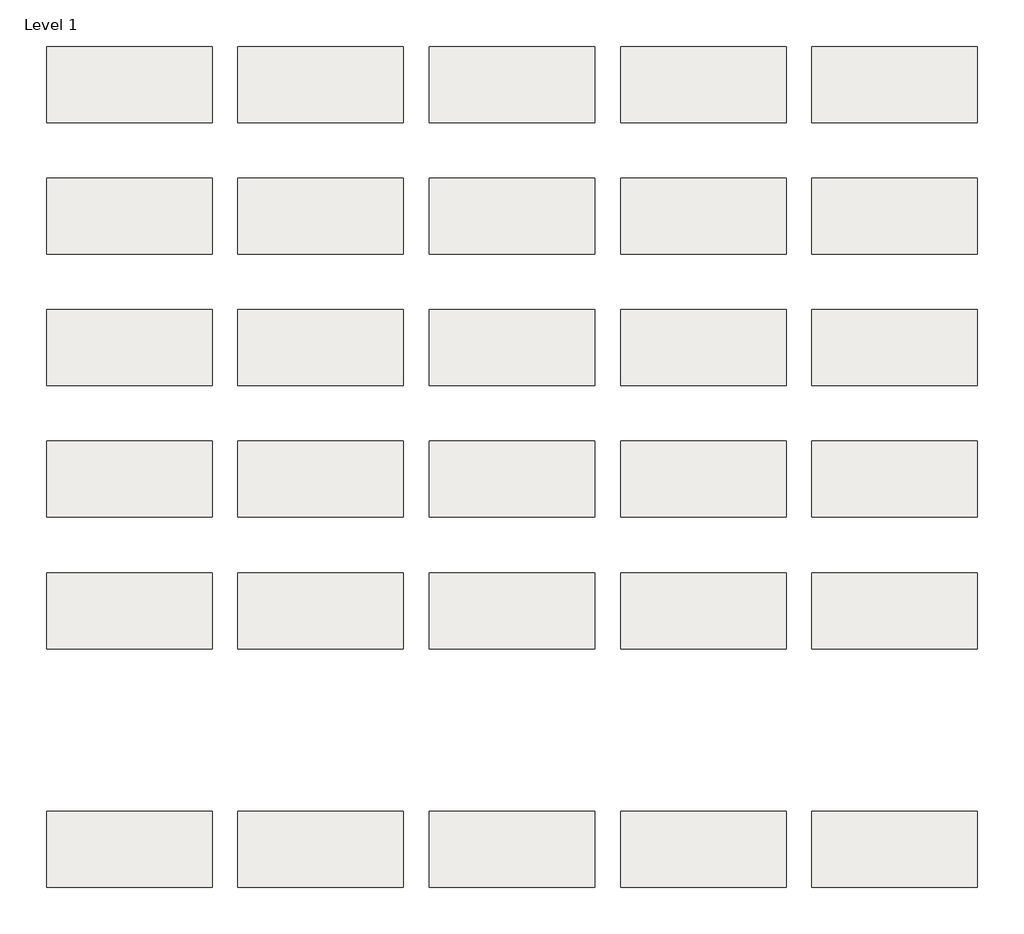
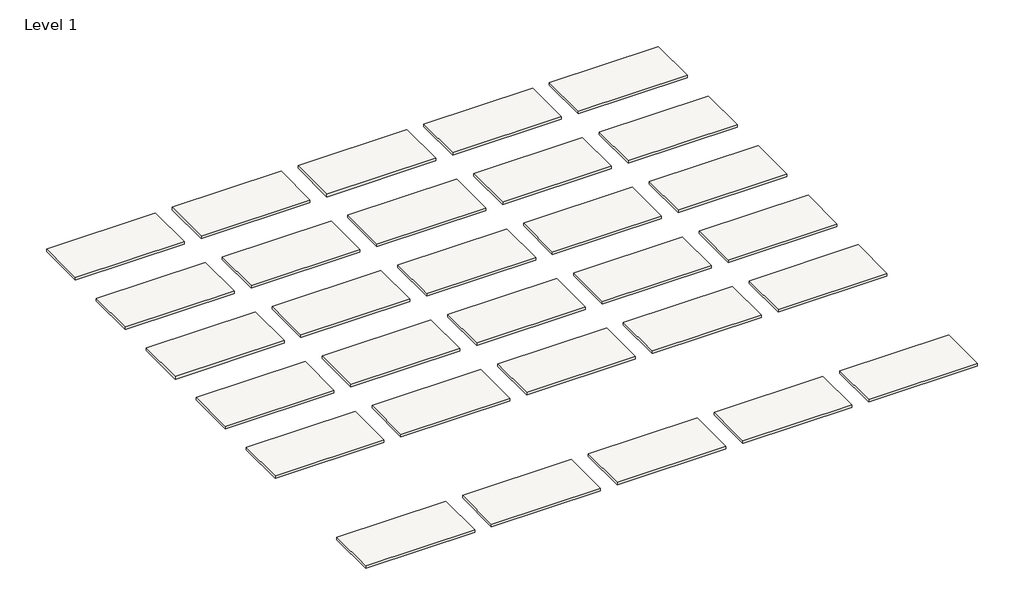
# One storey: 30 roofs.
"""IFC4 building model written with IfcOpenShell, lengths in millimetres."""

from ifc_helpers import new_model, si_unit, origin, origin_with_axes, place, context, project, spatial, polyline, outline, extrude, element, save

model = new_model("IFC4")

# Units and contexts
model_context = context("Model", 3, world=origin())
ifc_project = project(units=[si_unit("LENGTHUNIT", "METRE", prefix="MILLI")], contexts=[model_context])

# Site, building, storey
site = spatial("IfcSite", under=ifc_project)
building = spatial("IfcBuilding", under=site)
storey = spatial("IfcBuildingStorey", under=building, Name="Level 1", Elevation=0.0)

# Roofs
placement = place(None, origin())
element("IfcRoof", 1, at=placement, inside=storey, context=model_context, shape_type="SweptSolid", body=[
    extrude(outline(polyline([(-9725.8471173, -1370.5264682), (-6627.0471173, -1370.5264682), (-6627.0471173, -2792.9264682), (-9725.8471173, -2792.9264682), (-9725.8471173, -1370.5264682)])), origin_with_axes(), (0.0, 0.0, 1.0), 76.2),
])
element("IfcRoof", 2, at=placement, inside=storey, context=model_context, shape_type="SweptSolid", body=[
    extrude(outline(polyline([(-6144.4471173, -1370.5264682), (-3045.6471173, -1370.5264682), (-3045.6471173, -2792.9264682), (-6144.4471173, -2792.9264682), (-6144.4471173, -1370.5264682)])), origin_with_axes(), (0.0, 0.0, 1.0), 76.2),
])
element("IfcRoof", 3, at=placement, inside=storey, context=model_context, shape_type="SweptSolid", body=[
    extrude(outline(polyline([(-2563.0471173, -1370.5264682), (535.7528827, -1370.5264682), (535.7528827, -2792.9264682), (-2563.0471173, -2792.9264682), (-2563.0471173, -1370.5264682)])), origin_with_axes(), (0.0, 0.0, 1.0), 76.2),
])
element("IfcRoof", 4, at=placement, inside=storey, context=model_context, shape_type="SweptSolid", body=[
    extrude(outline(polyline([(1018.3528827, -1370.5264682), (4117.1528827, -1370.5264682), (4117.1528827, -2792.9264682), (1018.3528827, -2792.9264682), (1018.3528827, -1370.5264682)])), origin_with_axes(), (0.0, 0.0, 1.0), 76.2),
])
element("IfcRoof", 5, at=placement, inside=storey, context=model_context, shape_type="SweptSolid", body=[
    extrude(outline(polyline([(4599.7528827, -1370.5264682), (7698.5528827, -1370.5264682), (7698.5528827, -2792.9264682), (4599.7528827, -2792.9264682), (4599.7528827, -1370.5264682)])), origin_with_axes(), (0.0, 0.0, 1.0), 76.2),
])
element("IfcRoof", 6, at=placement, inside=storey, context=model_context, shape_type="SweptSolid", body=[
    extrude(outline(polyline([(-9725.8471173, 1093.2735318), (-6627.0471173, 1093.2735318), (-6627.0471173, -329.1264682), (-9725.8471173, -329.1264682), (-9725.8471173, 1093.2735318)])), origin_with_axes(), (0.0, 0.0, 1.0), 76.2),
])
element("IfcRoof", 7, at=placement, inside=storey, context=model_context, shape_type="SweptSolid", body=[
    extrude(outline(polyline([(-6144.4471173, 1093.2735318), (-3045.6471173, 1093.2735318), (-3045.6471173, -329.1264682), (-6144.4471173, -329.1264682), (-6144.4471173, 1093.2735318)])), origin_with_axes(), (0.0, 0.0, 1.0), 76.2),
])
element("IfcRoof", 8, at=placement, inside=storey, context=model_context, shape_type="SweptSolid", body=[
    extrude(outline(polyline([(-2563.0471173, 1093.2735318), (535.7528827, 1093.2735318), (535.7528827, -329.1264682), (-2563.0471173, -329.1264682), (-2563.0471173, 1093.2735318)])), origin_with_axes(), (0.0, 0.0, 1.0), 76.2),
])
element("IfcRoof", 9, at=placement, inside=storey, context=model_context, shape_type="SweptSolid", body=[
    extrude(outline(polyline([(1018.3528827, 1093.2735318), (4117.1528827, 1093.2735318), (4117.1528827, -329.1264682), (1018.3528827, -329.1264682), (1018.3528827, 1093.2735318)])), origin_with_axes(), (0.0, 0.0, 1.0), 76.2),
])
element("IfcRoof", 10, at=placement, inside=storey, context=model_context, shape_type="SweptSolid", body=[
    extrude(outline(polyline([(4599.7528827, 1093.2735318), (7698.5528827, 1093.2735318), (7698.5528827, -329.1264682), (4599.7528827, -329.1264682), (4599.7528827, 1093.2735318)])), origin_with_axes(), (0.0, 0.0, 1.0), 76.2),
])
element("IfcRoof", 11, at=placement, inside=storey, context=model_context, shape_type="SweptSolid", body=[
    extrude(outline(polyline([(-9725.8471173, 3557.0735318), (-6627.0471173, 3557.0735318), (-6627.0471173, 2134.6735318), (-9725.8471173, 2134.6735318), (-9725.8471173, 3557.0735318)])), origin_with_axes(), (0.0, 0.0, 1.0), 76.2),
])
element("IfcRoof", 12, at=placement, inside=storey, context=model_context, shape_type="SweptSolid", body=[
    extrude(outline(polyline([(-6144.4471173, 3557.0735318), (-3045.6471173, 3557.0735318), (-3045.6471173, 2134.6735318), (-6144.4471173, 2134.6735318), (-6144.4471173, 3557.0735318)])), origin_with_axes(), (0.0, 0.0, 1.0), 76.2),
])
element("IfcRoof", 13, at=placement, inside=storey, context=model_context, shape_type="SweptSolid", body=[
    extrude(outline(polyline([(-2563.0471173, 3557.0735318), (535.7528827, 3557.0735318), (535.7528827, 2134.6735318), (-2563.0471173, 2134.6735318), (-2563.0471173, 3557.0735318)])), origin_with_axes(), (0.0, 0.0, 1.0), 76.2),
])
element("IfcRoof", 14, at=placement, inside=storey, context=model_context, shape_type="SweptSolid", body=[
    extrude(outline(polyline([(1018.3528827, 3557.0735318), (4117.1528827, 3557.0735318), (4117.1528827, 2134.6735318), (1018.3528827, 2134.6735318), (1018.3528827, 3557.0735318)])), origin_with_axes(), (0.0, 0.0, 1.0), 76.2),
])
element("IfcRoof", 15, at=placement, inside=storey, context=model_context, shape_type="SweptSolid", body=[
    extrude(outline(polyline([(4599.7528827, 3557.0735318), (7698.5528827, 3557.0735318), (7698.5528827, 2134.6735318), (4599.7528827, 2134.6735318), (4599.7528827, 3557.0735318)])), origin_with_axes(), (0.0, 0.0, 1.0), 76.2),
])
element("IfcRoof", 16, at=placement, inside=storey, context=model_context, shape_type="SweptSolid", body=[
    extrude(outline(polyline([(-9725.8471173, 6020.8735318), (-6627.0471173, 6020.8735318), (-6627.0471173, 4598.4735318), (-9725.8471173, 4598.4735318), (-9725.8471173, 6020.8735318)])), origin_with_axes(), (0.0, 0.0, 1.0), 76.2),
])
element("IfcRoof", 17, at=placement, inside=storey, context=model_context, shape_type="SweptSolid", body=[
    extrude(outline(polyline([(-6144.4471173, 6020.8735318), (-3045.6471173, 6020.8735318), (-3045.6471173, 4598.4735318), (-6144.4471173, 4598.4735318), (-6144.4471173, 6020.8735318)])), origin_with_axes(), (0.0, 0.0, 1.0), 76.2),
])
element("IfcRoof", 18, at=placement, inside=storey, context=model_context, shape_type="SweptSolid", body=[
    extrude(outline(polyline([(-2563.0471173, 6020.8735318), (535.7528827, 6020.8735318), (535.7528827, 4598.4735318), (-2563.0471173, 4598.4735318), (-2563.0471173, 6020.8735318)])), origin_with_axes(), (0.0, 0.0, 1.0), 76.2),
])
element("IfcRoof", 19, at=placement, inside=storey, context=model_context, shape_type="SweptSolid", body=[
    extrude(outline(polyline([(1018.3528827, 6020.8735318), (4117.1528827, 6020.8735318), (4117.1528827, 4598.4735318), (1018.3528827, 4598.4735318), (1018.3528827, 6020.8735318)])), origin_with_axes(), (0.0, 0.0, 1.0), 76.2),
])
element("IfcRoof", 20, at=placement, inside=storey, context=model_context, shape_type="SweptSolid", body=[
    extrude(outline(polyline([(4599.7528827, 6020.8735318), (7698.5528827, 6020.8735318), (7698.5528827, 4598.4735318), (4599.7528827, 4598.4735318), (4599.7528827, 6020.8735318)])), origin_with_axes(), (0.0, 0.0, 1.0), 76.2),
])
element("IfcRoof", 21, at=placement, inside=storey, context=model_context, shape_type="SweptSolid", body=[
    extrude(outline(polyline([(-9725.8471173, 8484.6735318), (-6627.0471173, 8484.6735318), (-6627.0471173, 7062.2735318), (-9725.8471173, 7062.2735318), (-9725.8471173, 8484.6735318)])), origin_with_axes(), (0.0, 0.0, 1.0), 76.2),
])
element("IfcRoof", 22, at=placement, inside=storey, context=model_context, shape_type="SweptSolid", body=[
    extrude(outline(polyline([(-6144.4471173, 8484.6735318), (-3045.6471173, 8484.6735318), (-3045.6471173, 7062.2735318), (-6144.4471173, 7062.2735318), (-6144.4471173, 8484.6735318)])), origin_with_axes(), (0.0, 0.0, 1.0), 76.2),
])
element("IfcRoof", 23, at=placement, inside=storey, context=model_context, shape_type="SweptSolid", body=[
    extrude(outline(polyline([(-2563.0471173, 8484.6735318), (535.7528827, 8484.6735318), (535.7528827, 7062.2735318), (-2563.0471173, 7062.2735318), (-2563.0471173, 8484.6735318)])), origin_with_axes(), (0.0, 0.0, 1.0), 76.2),
])
element("IfcRoof", 24, at=placement, inside=storey, context=model_context, shape_type="SweptSolid", body=[
    extrude(outline(polyline([(1018.3528827, 8484.6735318), (4117.1528827, 8484.6735318), (4117.1528827, 7062.2735318), (1018.3528827, 7062.2735318), (1018.3528827, 8484.6735318)])), origin_with_axes(), (0.0, 0.0, 1.0), 76.2),
])
element("IfcRoof", 25, at=placement, inside=storey, context=model_context, shape_type="SweptSolid", body=[
    extrude(outline(polyline([(4599.7528827, 8484.6735318), (7698.5528827, 8484.6735318), (7698.5528827, 7062.2735318), (4599.7528827, 7062.2735318), (4599.7528827, 8484.6735318)])), origin_with_axes(), (0.0, 0.0, 1.0), 76.2),
])
element("IfcRoof", 26, at=placement, inside=storey, context=model_context, shape_type="SweptSolid", body=[
    extrude(outline(polyline([(-9725.8471173, -5840.9264682), (-6627.0471173, -5840.9264682), (-6627.0471173, -7263.3264682), (-9725.8471173, -7263.3264682), (-9725.8471173, -5840.9264682)])), origin_with_axes(), (0.0, 0.0, 1.0), 76.2),
])
element("IfcRoof", 27, at=placement, inside=storey, context=model_context, shape_type="SweptSolid", body=[
    extrude(outline(polyline([(-6144.4471173, -5840.9264682), (-3045.6471173, -5840.9264682), (-3045.6471173, -7263.3264682), (-6144.4471173, -7263.3264682), (-6144.4471173, -5840.9264682)])), origin_with_axes(), (0.0, 0.0, 1.0), 76.2),
])
element("IfcRoof", 28, at=placement, inside=storey, context=model_context, shape_type="SweptSolid", body=[
    extrude(outline(polyline([(-2563.0471173, -5840.9264682), (535.7528827, -5840.9264682), (535.7528827, -7263.3264682), (-2563.0471173, -7263.3264682), (-2563.0471173, -5840.9264682)])), origin_with_axes(), (0.0, 0.0, 1.0), 76.2),
])
element("IfcRoof", 29, at=placement, inside=storey, context=model_context, shape_type="SweptSolid", body=[
    extrude(outline(polyline([(1018.3528827, -5840.9264682), (4117.1528827, -5840.9264682), (4117.1528827, -7263.3264682), (1018.3528827, -7263.3264682), (1018.3528827, -5840.9264682)])), origin_with_axes(), (0.0, 0.0, 1.0), 76.2),
])
element("IfcRoof", 30, at=placement, inside=storey, context=model_context, shape_type="SweptSolid", body=[
    extrude(outline(polyline([(4599.7528827, -5840.9264682), (7698.5528827, -5840.9264682), (7698.5528827, -7263.3264682), (4599.7528827, -7263.3264682), (4599.7528827, -5840.9264682)])), origin_with_axes(), (0.0, 0.0, 1.0), 76.2),
])

save(model, "model.ifc")
